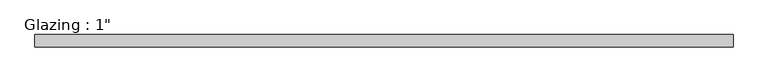
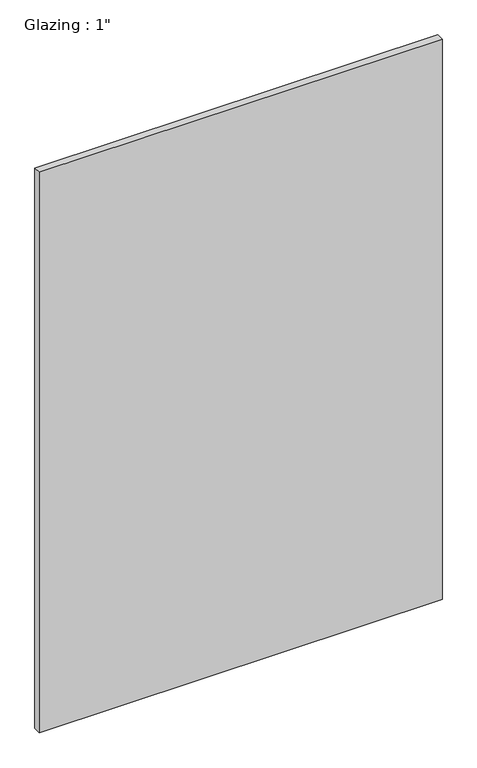
"""IFC4 building model written with IfcOpenShell, lengths in millimetres: plate geometry."""

from ifc_helpers import new_model, si_unit, origin, origin_with_axes, place, context, project, spatial, polyline, outline, extrude, source, transform, mapped, element, save


def plate_040c8553(model_context):
    return source(origin(), model_context, "Body", "SweptSolid", [
        extrude(outline(polyline([(712.1415297, -12.7), (-712.1415297, -12.7), (-712.1415297, 12.7), (712.1415297, 12.7), (712.1415297, -12.7)])), origin_with_axes(), (0.0, 0.0, 1.0), 2094.5430277),
    ])


if __name__ == "__main__":
    model = new_model("IFC4")
    model_context = context("Model", 3, world=origin())
    ifc_project = project(units=[si_unit("LENGTHUNIT", "METRE", prefix="MILLI")], contexts=[model_context])
    site = spatial("IfcSite", under=ifc_project)
    building = spatial("IfcBuilding", under=site)
    placement = place(None, origin())
    plate_shape = plate_040c8553(model_context)
    element("IfcPlate", 1, ObjectType="Glazing : 1\"", at=placement, inside=building, context=model_context, shape_type="MappedRepresentation", body=[
        mapped(plate_shape, transform((0.0, 0.0, 0.0), x_axis=(1.0, 0.0, 0.0), y_axis=(0.0, 1.0, 0.0), z_axis=(0.0, 0.0, 1.0))),
    ])
    save(model, "model.ifc")
